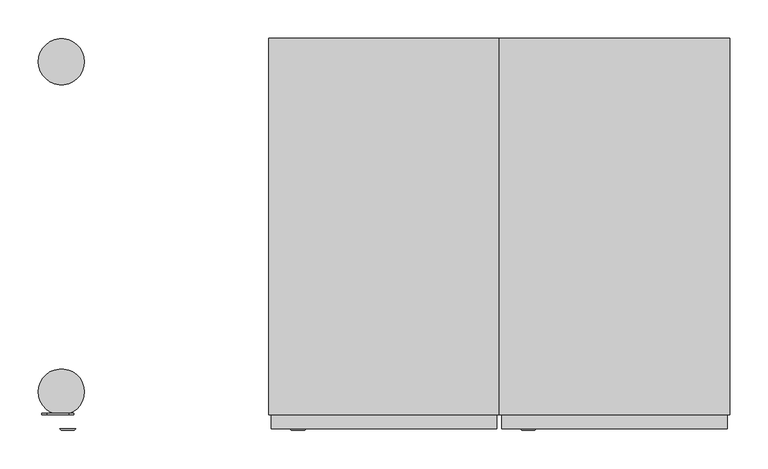
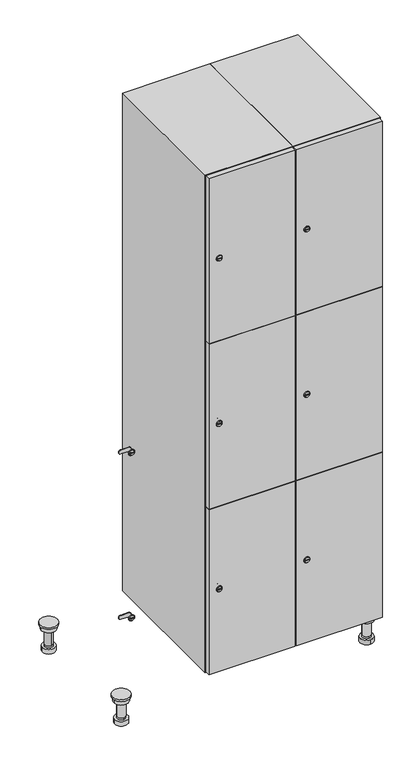
"""IFC4 building model written with IfcOpenShell, lengths in millimetres: furniture geometry."""

from ifc_helpers import new_model, si_unit, point, frame, frame_2d, origin, place, context, project, spatial, polyline, circle_curve, trimmed, segment, composite_curve, outline, extrude, faceted_brep, source, transform, mapped, element, save
from ifc_brep_helpers import plane_surface, cylinder_surface, revolved_surface, advanced_brep


def furniture_a988e921(model_context):
    return source(origin(), model_context, "Body", "SolidModel", [
        advanced_brep(
        [(670.0, -201.0, 22.0), (670.0, -201.5, 16.0), (670.0, -228.5, 16.0), (670.0, -229.0, 22.0), (656.0, -215.0, 22.0), (684.0, -215.0, 22.0), (670.0, -192.5, 16.0), (670.0, -237.5, 16.0), (670.0, -192.5, 0.0), (670.0, -237.5, 0.0), (684.0, -215.0, 78.0), (656.0, -215.0, 78.0), (695.0, -215.0, 78.0), (645.0, -215.0, 78.0), (700.0, -215.0, 94.0), (640.0, -215.0, 94.0), (645.0, -215.0, 94.0), (695.0, -215.0, 94.0), (700.0, -215.0, 100.0), (640.0, -215.0, 100.0)],
        [
            (0, 1),
            (1, 2, circle_curve(frame((670.0, -215.0, 16.0), z_axis=(0.0, 0.0, 1.0), x_axis=(0.0, -1.0, 0.0)), 13.5)),
            (2, 3),
            (3, 4, circle_curve(frame((670.0, -215.0, 22.0), z_axis=(0.0, 0.0, -1.0), x_axis=(0.0, -1.0, 0.0)), 14.0)),
            (4, 0, circle_curve(frame((670.0, -215.0, 22.0), z_axis=(0.0, 0.0, -1.0), x_axis=(0.0, -1.0, 0.0)), 14.0)),
            (0, 5, circle_curve(frame((670.0, -215.0, 22.0), z_axis=(0.0, 0.0, -1.0), x_axis=(0.0, 1.0, 0.0)), 14.0)),
            (5, 3, circle_curve(frame((670.0, -215.0, 22.0), z_axis=(0.0, 0.0, -1.0), x_axis=(0.0, 1.0, 0.0)), 14.0)),
            (2, 1, circle_curve(frame((670.0, -215.0, 16.0), z_axis=(0.0, 0.0, 1.0), x_axis=(0.0, 1.0, 0.0)), 13.5)),
            (6, 7, circle_curve(frame((670.0, -215.0, 16.0), z_axis=(0.0, 0.0, 1.0), x_axis=(0.0, -1.0, 0.0)), 22.5)),
            (7, 6, circle_curve(frame((670.0, -215.0, 16.0), z_axis=(0.0, 0.0, 1.0), x_axis=(0.0, -1.0, 0.0)), 22.5)),
            (8, 9, circle_curve(frame((670.0, -215.0, 0.0), z_axis=(0.0, 0.0, -1.0), x_axis=(0.0, -1.0, 0.0)), 22.5)),
            (9, 8, circle_curve(frame((670.0, -215.0, 0.0), z_axis=(0.0, 0.0, -1.0), x_axis=(0.0, -1.0, 0.0)), 22.5)),
            (6, 8),
            (9, 7),
            (5, 10),
            (10, 11, circle_curve(frame((670.0, -215.0, 78.0), z_axis=(0.0, 0.0, -1.0), x_axis=(-1.0, 0.0, 0.0)), 14.0)),
            (11, 4),
            (11, 10, circle_curve(frame((670.0, -215.0, 78.0), z_axis=(0.0, 0.0, -1.0), x_axis=(-1.0, 0.0, 0.0)), 14.0)),
            (12, 13, circle_curve(frame((670.0, -215.0, 78.0), z_axis=(0.0, 0.0, -1.0), x_axis=(-1.0, 0.0, 0.0)), 25.0)),
            (13, 12, circle_curve(frame((670.0, -215.0, 78.0), z_axis=(0.0, 0.0, -1.0), x_axis=(-1.0, 0.0, 0.0)), 25.0)),
            (14, 15, circle_curve(frame((670.0, -215.0, 94.0), z_axis=(0.0, 0.0, -1.0), x_axis=(-1.0, 0.0, 0.0)), 30.0)),
            (15, 14, circle_curve(frame((670.0, -215.0, 94.0), z_axis=(0.0, 0.0, -1.0), x_axis=(-1.0, 0.0, 0.0)), 30.0)),
            (16, 17, circle_curve(frame((670.0, -215.0, 94.0), z_axis=(0.0, 0.0, 1.0), x_axis=(-1.0, 0.0, 0.0)), 25.0)),
            (17, 16, circle_curve(frame((670.0, -215.0, 94.0), z_axis=(0.0, 0.0, 1.0), x_axis=(-1.0, 0.0, 0.0)), 25.0)),
            (18, 19, circle_curve(frame((670.0, -215.0, 100.0), z_axis=(0.0, 0.0, 1.0), x_axis=(-1.0, 0.0, 0.0)), 30.0)),
            (19, 18, circle_curve(frame((670.0, -215.0, 100.0), z_axis=(0.0, 0.0, 1.0), x_axis=(-1.0, 0.0, 0.0)), 30.0)),
            (14, 18),
            (19, 15),
            (12, 17),
            (16, 13),
        ],
        [
            revolved_surface(polyline([(670.0, -201.5, 16.0), (670.0, -201.0, 22.0)]), (670.0, -215.0, -146.0), (0.0, 0.0, 1.0)),
            plane_surface(frame((670.0, 0.0, 16.0), z_axis=(0.0, 0.0, 1.0), x_axis=(0.0, -1.0, 0.0))),
            plane_surface(frame((670.0, 0.0, 0.0), z_axis=(0.0, 0.0, -1.0), x_axis=(0.0, -1.0, 0.0))),
            cylinder_surface(frame((670.0, -215.0, 16.0), z_axis=(0.0, 0.0, 1.0), x_axis=(0.0, -1.0, 0.0)), 22.5),
            cylinder_surface(frame((670.0, -215.0, 22.0), z_axis=(0.0, 0.0, -1.0), x_axis=(-1.0, 0.0, 0.0)), 14.0),
            plane_surface(frame((670.0, 0.0, 78.0), z_axis=(0.0, 0.0, -1.0), x_axis=(0.0, -1.0, 0.0))),
            plane_surface(frame((670.0, 0.0, 94.0), z_axis=(0.0, 0.0, -1.0), x_axis=(0.0, -1.0, 0.0))),
            plane_surface(frame((670.0, 0.0, 100.0), z_axis=(0.0, 0.0, 1.0), x_axis=(0.0, -1.0, 0.0))),
            cylinder_surface(frame((670.0, -215.0, 94.0), z_axis=(0.0, 0.0, -1.0), x_axis=(-1.0, 0.0, 0.0)), 30.0),
            cylinder_surface(frame((670.0, -215.0, 78.0), z_axis=(0.0, 0.0, -1.0), x_axis=(-1.0, 0.0, 0.0)), 25.0),
        ],
        [
            (0, [[1, 2, 3, 4, 5]]),
            (0, [[-1, 6, 7, -3, 8]]),
            (1, [[9, 10], [-2, -8]]),
            (2, [[11, 12]]),
            (3, [[-9, 13, -12, 14]]),
            (3, [[-10, -14, -11, -13]]),
            (4, [[15, 16, 17, -4, -7]]),
            (4, [[-15, -6, -5, -17, 18]]),
            (5, [[19, 20], [-16, -18]]),
            (6, [[21, 22], [23, 24]]),
            (7, [[25, 26]]),
            (8, [[-21, 27, -26, 28]]),
            (8, [[-22, -28, -25, -27]]),
            (9, [[-19, 29, -23, 30]]),
            (9, [[-20, -30, -24, -29]]),
        ],
    ),
        advanced_brep(
        [(-170.0, -201.0, 22.0), (-170.0, -201.5, 16.0), (-170.0, -228.5, 16.0), (-170.0, -229.0, 22.0), (-184.0, -215.0, 22.0), (-156.0, -215.0, 22.0), (-147.5, -215.0, 0.0), (-192.5, -215.0, 0.0), (-147.5, -215.0, 16.0), (-192.5, -215.0, 16.0), (-156.0, -215.0, 78.0), (-184.0, -215.0, 78.0), (-145.0, -215.0, 78.0), (-195.0, -215.0, 78.0), (-140.0, -215.0, 94.0), (-200.0, -215.0, 94.0), (-195.0, -215.0, 94.0), (-145.0, -215.0, 94.0), (-140.0, -215.0, 100.0), (-200.0, -215.0, 100.0)],
        [
            (0, 1),
            (1, 2, circle_curve(frame((-170.0, -215.0, 16.0), z_axis=(0.0, 0.0, 1.0), x_axis=(0.0, -1.0, 0.0)), 13.5)),
            (2, 3),
            (3, 4, circle_curve(frame((-170.0, -215.0, 22.0), z_axis=(0.0, 0.0, -1.0), x_axis=(0.0, -1.0, 0.0)), 14.0)),
            (4, 0, circle_curve(frame((-170.0, -215.0, 22.0), z_axis=(0.0, 0.0, -1.0), x_axis=(0.0, -1.0, 0.0)), 14.0)),
            (0, 5, circle_curve(frame((-170.0, -215.0, 22.0), z_axis=(0.0, 0.0, -1.0), x_axis=(0.0, 1.0, 0.0)), 14.0)),
            (5, 3, circle_curve(frame((-170.0, -215.0, 22.0), z_axis=(0.0, 0.0, -1.0), x_axis=(0.0, 1.0, 0.0)), 14.0)),
            (2, 1, circle_curve(frame((-170.0, -215.0, 16.0), z_axis=(0.0, 0.0, 1.0), x_axis=(0.0, 1.0, 0.0)), 13.5)),
            (6, 7, circle_curve(frame((-170.0, -215.0, 0.0), z_axis=(0.0, 0.0, -1.0), x_axis=(-1.0, 0.0, 0.0)), 22.5)),
            (7, 6, circle_curve(frame((-170.0, -215.0, 0.0), z_axis=(0.0, 0.0, -1.0), x_axis=(-1.0, 0.0, 0.0)), 22.5)),
            (8, 9, circle_curve(frame((-170.0, -215.0, 16.0), z_axis=(0.0, 0.0, 1.0), x_axis=(-1.0, 0.0, 0.0)), 22.5)),
            (9, 8, circle_curve(frame((-170.0, -215.0, 16.0), z_axis=(0.0, 0.0, 1.0), x_axis=(-1.0, 0.0, 0.0)), 22.5)),
            (6, 8),
            (9, 7),
            (5, 10),
            (10, 11, circle_curve(frame((-170.0, -215.0, 78.0), z_axis=(0.0, 0.0, -1.0), x_axis=(-1.0, 0.0, 0.0)), 14.0)),
            (11, 4),
            (11, 10, circle_curve(frame((-170.0, -215.0, 78.0), z_axis=(0.0, 0.0, -1.0), x_axis=(-1.0, 0.0, 0.0)), 14.0)),
            (12, 13, circle_curve(frame((-170.0, -215.0, 78.0), z_axis=(0.0, 0.0, -1.0), x_axis=(-1.0, 0.0, 0.0)), 25.0)),
            (13, 12, circle_curve(frame((-170.0, -215.0, 78.0), z_axis=(0.0, 0.0, -1.0), x_axis=(-1.0, 0.0, 0.0)), 25.0)),
            (14, 15, circle_curve(frame((-170.0, -215.0, 94.0), z_axis=(0.0, 0.0, -1.0), x_axis=(-1.0, 0.0, 0.0)), 30.0)),
            (15, 14, circle_curve(frame((-170.0, -215.0, 94.0), z_axis=(0.0, 0.0, -1.0), x_axis=(-1.0, 0.0, 0.0)), 30.0)),
            (16, 17, circle_curve(frame((-170.0, -215.0, 94.0), z_axis=(0.0, 0.0, 1.0), x_axis=(-1.0, 0.0, 0.0)), 25.0)),
            (17, 16, circle_curve(frame((-170.0, -215.0, 94.0), z_axis=(0.0, 0.0, 1.0), x_axis=(-1.0, 0.0, 0.0)), 25.0)),
            (18, 19, circle_curve(frame((-170.0, -215.0, 100.0), z_axis=(0.0, 0.0, 1.0), x_axis=(-1.0, 0.0, 0.0)), 30.0)),
            (19, 18, circle_curve(frame((-170.0, -215.0, 100.0), z_axis=(0.0, 0.0, 1.0), x_axis=(-1.0, 0.0, 0.0)), 30.0)),
            (14, 18),
            (19, 15),
            (12, 17),
            (16, 13),
        ],
        [
            revolved_surface(polyline([(-170.0, -201.5, 16.0), (-170.0, -201.0, 22.0)]), (-170.0, -215.0, -146.0), (0.0, 0.0, 1.0)),
            plane_surface(frame((-170.0, 0.0, 0.0), z_axis=(0.0, 0.0, -1.0), x_axis=(0.0, -1.0, 0.0))),
            plane_surface(frame((-170.0, 0.0, 16.0), z_axis=(0.0, 0.0, 1.0), x_axis=(0.0, -1.0, 0.0))),
            cylinder_surface(frame((-170.0, -215.0, 0.0), z_axis=(0.0, 0.0, -1.0), x_axis=(-1.0, 0.0, 0.0)), 22.5),
            cylinder_surface(frame((-170.0, -215.0, 22.0), z_axis=(0.0, 0.0, -1.0), x_axis=(-1.0, 0.0, 0.0)), 14.0),
            plane_surface(frame((-170.0, 0.0, 78.0), z_axis=(0.0, 0.0, -1.0), x_axis=(0.0, -1.0, 0.0))),
            plane_surface(frame((-170.0, 0.0, 94.0), z_axis=(0.0, 0.0, -1.0), x_axis=(0.0, -1.0, 0.0))),
            plane_surface(frame((-170.0, 0.0, 100.0), z_axis=(0.0, 0.0, 1.0), x_axis=(0.0, -1.0, 0.0))),
            cylinder_surface(frame((-170.0, -215.0, 94.0), z_axis=(0.0, 0.0, -1.0), x_axis=(-1.0, 0.0, 0.0)), 30.0),
            cylinder_surface(frame((-170.0, -215.0, 78.0), z_axis=(0.0, 0.0, -1.0), x_axis=(-1.0, 0.0, 0.0)), 25.0),
        ],
        [
            (0, [[1, 2, 3, 4, 5]]),
            (0, [[-1, 6, 7, -3, 8]]),
            (1, [[9, 10]]),
            (2, [[11, 12], [-2, -8]]),
            (3, [[-9, 13, -12, 14]]),
            (3, [[-10, -14, -11, -13]]),
            (4, [[15, 16, 17, -4, -7]]),
            (4, [[-15, -6, -5, -17, 18]]),
            (5, [[19, 20], [-16, -18]]),
            (6, [[21, 22], [23, 24]]),
            (7, [[25, 26]]),
            (8, [[-21, 27, -26, 28]]),
            (8, [[-22, -28, -25, -27]]),
            (9, [[-19, 29, -23, 30]]),
            (9, [[-20, -30, -24, -29]]),
        ],
    ),
        advanced_brep(
        [(683.5, 215.0, 16.0), (684.0, 215.0, 22.0), (656.0, 215.0, 22.0), (656.5, 215.0, 16.0), (692.5, 215.0, 0.0), (647.5, 215.0, 0.0), (692.5, 215.0, 16.0), (647.5, 215.0, 16.0), (684.0, 215.0, 78.0), (656.0, 215.0, 78.0), (695.0, 215.0, 78.0), (645.0, 215.0, 78.0), (700.0, 215.0, 94.0), (640.0, 215.0, 94.0), (645.0, 215.0, 94.0), (695.0, 215.0, 94.0), (700.0, 215.0, 100.0), (640.0, 215.0, 100.0)],
        [
            (0, 1),
            (1, 2, circle_curve(frame((670.0, 215.0, 22.0), z_axis=(0.0, 0.0, -1.0), x_axis=(-1.0, 0.0, 0.0)), 14.0)),
            (2, 3),
            (3, 0, circle_curve(frame((670.0, 215.0, 16.0), z_axis=(0.0, 0.0, 1.0), x_axis=(-1.0, 0.0, 0.0)), 13.5)),
            (0, 3, circle_curve(frame((670.0, 215.0, 16.0), z_axis=(0.0, 0.0, 1.0), x_axis=(1.0, 0.0, 0.0)), 13.5)),
            (2, 1, circle_curve(frame((670.0, 215.0, 22.0), z_axis=(0.0, 0.0, -1.0), x_axis=(1.0, 0.0, 0.0)), 14.0)),
            (4, 5, circle_curve(frame((670.0, 215.0, 0.0), z_axis=(0.0, 0.0, -1.0), x_axis=(-1.0, 0.0, 0.0)), 22.5)),
            (5, 4, circle_curve(frame((670.0, 215.0, 0.0), z_axis=(0.0, 0.0, -1.0), x_axis=(-1.0, 0.0, 0.0)), 22.5)),
            (6, 7, circle_curve(frame((670.0, 215.0, 16.0), z_axis=(0.0, 0.0, 1.0), x_axis=(-1.0, 0.0, 0.0)), 22.5)),
            (7, 6, circle_curve(frame((670.0, 215.0, 16.0), z_axis=(0.0, 0.0, 1.0), x_axis=(-1.0, 0.0, 0.0)), 22.5)),
            (4, 6),
            (7, 5),
            (1, 8),
            (8, 9, circle_curve(frame((670.0, 215.0, 78.0), z_axis=(0.0, 0.0, -1.0), x_axis=(-1.0, 0.0, 0.0)), 14.0)),
            (9, 2),
            (9, 8, circle_curve(frame((670.0, 215.0, 78.0), z_axis=(0.0, 0.0, -1.0), x_axis=(-1.0, 0.0, 0.0)), 14.0)),
            (10, 11, circle_curve(frame((670.0, 215.0, 78.0), z_axis=(0.0, 0.0, -1.0), x_axis=(-1.0, 0.0, 0.0)), 25.0)),
            (11, 10, circle_curve(frame((670.0, 215.0, 78.0), z_axis=(0.0, 0.0, -1.0), x_axis=(-1.0, 0.0, 0.0)), 25.0)),
            (12, 13, circle_curve(frame((670.0, 215.0, 94.0), z_axis=(0.0, 0.0, -1.0), x_axis=(-1.0, 0.0, 0.0)), 30.0)),
            (13, 12, circle_curve(frame((670.0, 215.0, 94.0), z_axis=(0.0, 0.0, -1.0), x_axis=(-1.0, 0.0, 0.0)), 30.0)),
            (14, 15, circle_curve(frame((670.0, 215.0, 94.0), z_axis=(0.0, 0.0, 1.0), x_axis=(-1.0, 0.0, 0.0)), 25.0)),
            (15, 14, circle_curve(frame((670.0, 215.0, 94.0), z_axis=(0.0, 0.0, 1.0), x_axis=(-1.0, 0.0, 0.0)), 25.0)),
            (16, 17, circle_curve(frame((670.0, 215.0, 100.0), z_axis=(0.0, 0.0, 1.0), x_axis=(-1.0, 0.0, 0.0)), 30.0)),
            (17, 16, circle_curve(frame((670.0, 215.0, 100.0), z_axis=(0.0, 0.0, 1.0), x_axis=(-1.0, 0.0, 0.0)), 30.0)),
            (12, 16),
            (17, 13),
            (10, 15),
            (14, 11),
        ],
        [
            revolved_surface(polyline([(683.5, 215.0, 16.0), (684.0, 215.0, 22.0)]), (670.0, 215.0, -146.0), (0.0, 0.0, 1.0)),
            plane_surface(frame((670.0, 0.0, 0.0), z_axis=(0.0, 0.0, -1.0), x_axis=(0.0, -1.0, 0.0))),
            plane_surface(frame((670.0, 0.0, 16.0), z_axis=(0.0, 0.0, 1.0), x_axis=(0.0, -1.0, 0.0))),
            cylinder_surface(frame((670.0, 215.0, 0.0), z_axis=(0.0, 0.0, -1.0), x_axis=(-1.0, 0.0, 0.0)), 22.5),
            cylinder_surface(frame((670.0, 215.0, 22.0), z_axis=(0.0, 0.0, -1.0), x_axis=(-1.0, 0.0, 0.0)), 14.0),
            plane_surface(frame((670.0, 0.0, 78.0), z_axis=(0.0, 0.0, -1.0), x_axis=(0.0, -1.0, 0.0))),
            plane_surface(frame((670.0, 0.0, 94.0), z_axis=(0.0, 0.0, -1.0), x_axis=(0.0, -1.0, 0.0))),
            plane_surface(frame((670.0, 0.0, 100.0), z_axis=(0.0, 0.0, 1.0), x_axis=(0.0, -1.0, 0.0))),
            cylinder_surface(frame((670.0, 215.0, 94.0), z_axis=(0.0, 0.0, -1.0), x_axis=(-1.0, 0.0, 0.0)), 30.0),
            cylinder_surface(frame((670.0, 215.0, 78.0), z_axis=(0.0, 0.0, -1.0), x_axis=(-1.0, 0.0, 0.0)), 25.0),
        ],
        [
            (0, [[1, 2, 3, 4]]),
            (0, [[-1, 5, -3, 6]]),
            (1, [[7, 8]]),
            (2, [[9, 10], [-4, -5]]),
            (3, [[-7, 11, -10, 12]]),
            (3, [[-8, -12, -9, -11]]),
            (4, [[13, 14, 15, -2]]),
            (4, [[-13, -6, -15, 16]]),
            (5, [[17, 18], [-14, -16]]),
            (6, [[19, 20], [21, 22]]),
            (7, [[23, 24]]),
            (8, [[-19, 25, -24, 26]]),
            (8, [[-20, -26, -23, -25]]),
            (9, [[-17, 27, -21, 28]]),
            (9, [[-18, -28, -22, -27]]),
        ],
    ),
        advanced_brep(
        [(-156.5, 215.0, 16.0), (-156.0, 215.0, 22.0), (-170.0, 201.0, 22.0), (-184.0, 215.0, 22.0), (-183.5, 215.0, 16.0), (-170.0, 229.0, 22.0), (-147.5, 215.0, 0.0), (-192.5, 215.0, 0.0), (-147.5, 215.0, 16.0), (-192.5, 215.0, 16.0), (-170.0, 229.0, 78.0), (-170.0, 201.0, 78.0), (-145.0, 215.0, 78.0), (-195.0, 215.0, 78.0), (-140.0, 215.0, 94.0), (-200.0, 215.0, 94.0), (-195.0, 215.0, 94.0), (-145.0, 215.0, 94.0), (-140.0, 215.0, 100.0), (-200.0, 215.0, 100.0)],
        [
            (0, 1),
            (1, 2, circle_curve(frame((-170.0, 215.0, 22.0), z_axis=(0.0, 0.0, -1.0), x_axis=(-1.0, 0.0, 0.0)), 14.0)),
            (2, 3, circle_curve(frame((-170.0, 215.0, 22.0), z_axis=(0.0, 0.0, -1.0), x_axis=(-1.0, 0.0, 0.0)), 14.0)),
            (3, 4),
            (4, 0, circle_curve(frame((-170.0, 215.0, 16.0), z_axis=(0.0, 0.0, 1.0), x_axis=(-1.0, 0.0, 0.0)), 13.5)),
            (0, 4, circle_curve(frame((-170.0, 215.0, 16.0), z_axis=(0.0, 0.0, 1.0), x_axis=(1.0, 0.0, 0.0)), 13.5)),
            (3, 5, circle_curve(frame((-170.0, 215.0, 22.0), z_axis=(0.0, 0.0, -1.0), x_axis=(1.0, 0.0, 0.0)), 14.0)),
            (5, 1, circle_curve(frame((-170.0, 215.0, 22.0), z_axis=(0.0, 0.0, -1.0), x_axis=(1.0, 0.0, 0.0)), 14.0)),
            (6, 7, circle_curve(frame((-170.0, 215.0, 0.0), z_axis=(0.0, 0.0, -1.0), x_axis=(-1.0, 0.0, 0.0)), 22.5)),
            (7, 6, circle_curve(frame((-170.0, 215.0, 0.0), z_axis=(0.0, 0.0, -1.0), x_axis=(-1.0, 0.0, 0.0)), 22.5)),
            (8, 9, circle_curve(frame((-170.0, 215.0, 16.0), z_axis=(0.0, 0.0, 1.0), x_axis=(-1.0, 0.0, 0.0)), 22.5)),
            (9, 8, circle_curve(frame((-170.0, 215.0, 16.0), z_axis=(0.0, 0.0, 1.0), x_axis=(-1.0, 0.0, 0.0)), 22.5)),
            (6, 8),
            (9, 7),
            (10, 5),
            (2, 11),
            (11, 10, circle_curve(frame((-170.0, 215.0, 78.0), z_axis=(0.0, 0.0, -1.0), x_axis=(0.0, -1.0, 0.0)), 14.0)),
            (10, 11, circle_curve(frame((-170.0, 215.0, 78.0), z_axis=(0.0, 0.0, -1.0), x_axis=(0.0, -1.0, 0.0)), 14.0)),
            (12, 13, circle_curve(frame((-170.0, 215.0, 78.0), z_axis=(0.0, 0.0, -1.0), x_axis=(-1.0, 0.0, 0.0)), 25.0)),
            (13, 12, circle_curve(frame((-170.0, 215.0, 78.0), z_axis=(0.0, 0.0, -1.0), x_axis=(-1.0, 0.0, 0.0)), 25.0)),
            (14, 15, circle_curve(frame((-170.0, 215.0, 94.0), z_axis=(0.0, 0.0, -1.0), x_axis=(-1.0, 0.0, 0.0)), 30.0)),
            (15, 14, circle_curve(frame((-170.0, 215.0, 94.0), z_axis=(0.0, 0.0, -1.0), x_axis=(-1.0, 0.0, 0.0)), 30.0)),
            (16, 17, circle_curve(frame((-170.0, 215.0, 94.0), z_axis=(0.0, 0.0, 1.0), x_axis=(-1.0, 0.0, 0.0)), 25.0)),
            (17, 16, circle_curve(frame((-170.0, 215.0, 94.0), z_axis=(0.0, 0.0, 1.0), x_axis=(-1.0, 0.0, 0.0)), 25.0)),
            (18, 19, circle_curve(frame((-170.0, 215.0, 100.0), z_axis=(0.0, 0.0, 1.0), x_axis=(-1.0, 0.0, 0.0)), 30.0)),
            (19, 18, circle_curve(frame((-170.0, 215.0, 100.0), z_axis=(0.0, 0.0, 1.0), x_axis=(-1.0, 0.0, 0.0)), 30.0)),
            (14, 18),
            (19, 15),
            (12, 17),
            (16, 13),
        ],
        [
            revolved_surface(polyline([(-156.5, 215.0, 16.0), (-156.0, 215.0, 22.0)]), (-170.0, 215.0, -146.0), (0.0, 0.0, 1.0)),
            plane_surface(frame((-170.0, 0.0, 0.0), z_axis=(0.0, 0.0, -1.0), x_axis=(0.0, -1.0, 0.0))),
            plane_surface(frame((-170.0, 0.0, 16.0), z_axis=(0.0, 0.0, 1.0), x_axis=(0.0, -1.0, 0.0))),
            cylinder_surface(frame((-170.0, 215.0, 0.0), z_axis=(0.0, 0.0, -1.0), x_axis=(-1.0, 0.0, 0.0)), 22.5),
            cylinder_surface(frame((-170.0, 215.0, 78.0), z_axis=(0.0, 0.0, 1.0), x_axis=(0.0, -1.0, 0.0)), 14.0),
            plane_surface(frame((-170.0, 0.0, 78.0), z_axis=(0.0, 0.0, -1.0), x_axis=(0.0, -1.0, 0.0))),
            plane_surface(frame((-170.0, 0.0, 94.0), z_axis=(0.0, 0.0, -1.0), x_axis=(0.0, -1.0, 0.0))),
            plane_surface(frame((-170.0, 0.0, 100.0), z_axis=(0.0, 0.0, 1.0), x_axis=(0.0, -1.0, 0.0))),
            cylinder_surface(frame((-170.0, 215.0, 94.0), z_axis=(0.0, 0.0, -1.0), x_axis=(-1.0, 0.0, 0.0)), 30.0),
            cylinder_surface(frame((-170.0, 215.0, 78.0), z_axis=(0.0, 0.0, -1.0), x_axis=(-1.0, 0.0, 0.0)), 25.0),
        ],
        [
            (0, [[1, 2, 3, 4, 5]]),
            (0, [[-1, 6, -4, 7, 8]]),
            (1, [[9, 10]]),
            (2, [[11, 12], [-5, -6]]),
            (3, [[-9, 13, -12, 14]]),
            (3, [[-10, -14, -11, -13]]),
            (4, [[15, -7, -3, 16, 17]]),
            (4, [[-15, 18, -16, -2, -8]]),
            (5, [[19, 20], [-17, -18]]),
            (6, [[21, 22], [23, 24]]),
            (7, [[25, 26]]),
            (8, [[-21, 27, -26, 28]]),
            (8, [[-22, -28, -25, -27]]),
            (9, [[-19, 29, -23, 30]]),
            (9, [[-20, -30, -24, -29]]),
        ],
    ),
        extrude(outline(composite_curve([segment(trimmed(circle_curve(frame_2d((402.0, 411.2010534)), 7.0), [point((409.0, 411.2010534))], [point((395.0, 411.2010534))], False, "CARTESIAN"), True, "CONTINUOUS"), segment(polyline([(395.0, 411.2010534), (395.0, 439.2010534)]), True, "CONTINUOUS"), segment(trimmed(circle_curve(frame_2d((402.0, 439.2010534)), 7.0), [point((395.0, 439.2010534))], [point((409.0, 439.2010534))], False, "CARTESIAN"), True, "CONTINUOUS"), segment(polyline([(409.0, 439.2010534), (409.0, 411.2010534)]), True, "CONTINUOUS")], self_intersect=False)), frame((0.0, -245.0, 0.0), z_axis=(0.0, 1.0, 0.0), x_axis=(0.0, 0.0, 1.0)), (0.0, 0.0, 1.0), 2.0),
        advanced_brep(
        [(446.5, -265.2, 402.0), (429.5, -265.2, 402.0), (433.0, -265.2, 400.75), (433.0, -265.2, 403.25), (443.0, -265.2, 403.25), (443.0, -265.2, 400.75), (448.5, -263.0, 402.0), (427.5, -263.0, 402.0), (433.0, -263.0, 403.25), (433.0, -263.0, 400.75), (443.0, -263.0, 400.75), (443.0, -263.0, 403.25)],
        [
            (0, 1, circle_curve(frame((438.0, -265.2, 402.0), z_axis=(0.0, -1.0, 0.0), x_axis=(1.0, 0.0, 0.0)), 8.5)),
            (1, 0, circle_curve(frame((438.0, -265.2, 402.0), z_axis=(0.0, -1.0, 0.0), x_axis=(-1.0, 0.0, 0.0)), 8.5)),
            (2, 3),
            (3, 4),
            (4, 5),
            (5, 2),
            (6, 7, circle_curve(frame((438.0, -263.0, 402.0), z_axis=(0.0, 1.0, 0.0), x_axis=(-1.0, 0.0, 0.0)), 10.5)),
            (7, 6, circle_curve(frame((438.0, -263.0, 402.0), z_axis=(0.0, 1.0, 0.0), x_axis=(1.0, 0.0, 0.0)), 10.5)),
            (8, 9),
            (9, 10),
            (10, 11),
            (11, 8),
            (0, 6),
            (7, 1),
            (8, 3),
            (2, 9),
            (11, 4),
            (10, 5),
        ],
        [
            plane_surface(frame((438.0, -265.2, 402.0), z_axis=(0.0, -1.0, 0.0), x_axis=(0.0, 0.0, 1.0))),
            plane_surface(frame((438.0, -263.0, 402.0), z_axis=(0.0, 1.0, 0.0), x_axis=(0.0, 0.0, 1.0))),
            revolved_surface(polyline([(446.5, -265.2, 402.0), (448.5, -263.0, 402.0)]), (438.0, -274.55, 402.0), (0.0, 1.0, 0.0)),
            revolved_surface(polyline([(429.5, -265.2, 402.0), (427.5, -263.0, 402.0)]), (438.0, -274.55, 402.0), (0.0, 1.0, 0.0)),
            plane_surface(frame((433.0, -263.0, 400.75), z_axis=(1.0, 0.0, 0.0), x_axis=(0.0, -1.0, 0.0))),
            plane_surface(frame((433.0, -263.0, 403.25), z_axis=(0.0, 0.0, -1.0), x_axis=(0.0, -1.0, 0.0))),
            plane_surface(frame((443.0, -263.0, 403.25), z_axis=(-1.0, 0.0, 0.0), x_axis=(0.0, -1.0, 0.0))),
            plane_surface(frame((443.0, -263.0, 400.75), z_axis=(0.0, 0.0, 1.0), x_axis=(0.0, -1.0, 0.0))),
        ],
        [
            (0, [[1, 2], [3, 4, 5, 6]]),
            (1, [[7, 8], [9, 10, 11, 12]]),
            (2, [[-1, 13, -8, 14]]),
            (3, [[-2, -14, -7, -13]]),
            (4, [[15, -3, 16, -9]]),
            (5, [[-15, -12, 17, -4]]),
            (6, [[-17, -11, 18, -5]]),
            (7, [[-16, -6, -18, -10]]),
        ],
    ),
        extrude(outline(composite_curve([segment(trimmed(circle_curve(frame_2d((1000.0, 411.2010534)), 7.0), [point((1007.0, 411.2010534))], [point((993.0, 411.2010534))], False, "CARTESIAN"), True, "CONTINUOUS"), segment(polyline([(993.0, 411.2010534), (993.0, 439.2010534)]), True, "CONTINUOUS"), segment(trimmed(circle_curve(frame_2d((1000.0, 439.2010534)), 7.0), [point((993.0, 439.2010534))], [point((1007.0, 439.2010534))], False, "CARTESIAN"), True, "CONTINUOUS"), segment(polyline([(1007.0, 439.2010534), (1007.0, 411.2010534)]), True, "CONTINUOUS")], self_intersect=False)), frame((0.0, -245.0, 0.0), z_axis=(0.0, 1.0, 0.0), x_axis=(0.0, 0.0, 1.0)), (0.0, 0.0, 1.0), 2.0),
        advanced_brep(
        [(446.5, -265.2, 1000.0), (429.5, -265.2, 1000.0), (433.0, -265.2, 998.75), (433.0, -265.2, 1001.25), (443.0, -265.2, 1001.25), (443.0, -265.2, 998.75), (448.5, -263.0, 1000.0), (427.5, -263.0, 1000.0), (433.0, -263.0, 1001.25), (433.0, -263.0, 998.75), (443.0, -263.0, 998.75), (443.0, -263.0, 1001.25)],
        [
            (0, 1, circle_curve(frame((438.0, -265.2, 1000.0), z_axis=(0.0, -1.0, 0.0), x_axis=(1.0, 0.0, 0.0)), 8.5)),
            (1, 0, circle_curve(frame((438.0, -265.2, 1000.0), z_axis=(0.0, -1.0, 0.0), x_axis=(-1.0, 0.0, 0.0)), 8.5)),
            (2, 3),
            (3, 4),
            (4, 5),
            (5, 2),
            (6, 7, circle_curve(frame((438.0, -263.0, 1000.0), z_axis=(0.0, 1.0, 0.0), x_axis=(-1.0, 0.0, 0.0)), 10.5)),
            (7, 6, circle_curve(frame((438.0, -263.0, 1000.0), z_axis=(0.0, 1.0, 0.0), x_axis=(1.0, 0.0, 0.0)), 10.5)),
            (8, 9),
            (9, 10),
            (10, 11),
            (11, 8),
            (0, 6),
            (7, 1),
            (8, 3),
            (2, 9),
            (11, 4),
            (10, 5),
        ],
        [
            plane_surface(frame((438.0, -265.2, 1000.0), z_axis=(0.0, -1.0, 0.0), x_axis=(0.0, 0.0, 1.0))),
            plane_surface(frame((438.0, -263.0, 1000.0), z_axis=(0.0, 1.0, 0.0), x_axis=(0.0, 0.0, 1.0))),
            revolved_surface(polyline([(446.5, -265.2, 1000.0), (448.5, -263.0, 1000.0)]), (438.0, -274.55, 1000.0), (0.0, 1.0, 0.0)),
            revolved_surface(polyline([(429.5, -265.2, 1000.0), (427.5, -263.0, 1000.0)]), (438.0, -274.55, 1000.0), (0.0, 1.0, 0.0)),
            plane_surface(frame((433.0, -263.0, 998.75), z_axis=(1.0, 0.0, 0.0), x_axis=(0.0, -1.0, 0.0))),
            plane_surface(frame((433.0, -263.0, 1001.25), z_axis=(0.0, 0.0, -1.0), x_axis=(0.0, -1.0, 0.0))),
            plane_surface(frame((443.0, -263.0, 1001.25), z_axis=(-1.0, 0.0, 0.0), x_axis=(0.0, -1.0, 0.0))),
            plane_surface(frame((443.0, -263.0, 998.75), z_axis=(0.0, 0.0, 1.0), x_axis=(0.0, -1.0, 0.0))),
        ],
        [
            (0, [[1, 2], [3, 4, 5, 6]]),
            (1, [[7, 8], [9, 10, 11, 12]]),
            (2, [[-1, 13, -8, 14]]),
            (3, [[-2, -14, -7, -13]]),
            (4, [[15, -3, 16, -9]]),
            (5, [[-15, -12, 17, -4]]),
            (6, [[-17, -11, 18, -5]]),
            (7, [[-16, -6, -18, -10]]),
        ],
    ),
        extrude(outline(composite_curve([segment(trimmed(circle_curve(frame_2d((1598.0, 411.2010534)), 7.0), [point((1605.0, 411.2010534))], [point((1591.0, 411.2010534))], False, "CARTESIAN"), True, "CONTINUOUS"), segment(polyline([(1591.0, 411.2010534), (1591.0, 439.2010534)]), True, "CONTINUOUS"), segment(trimmed(circle_curve(frame_2d((1598.0, 439.2010534)), 7.0), [point((1591.0, 439.2010534))], [point((1605.0, 439.2010534))], False, "CARTESIAN"), True, "CONTINUOUS"), segment(polyline([(1605.0, 439.2010534), (1605.0, 411.2010534)]), True, "CONTINUOUS")], self_intersect=False)), frame((0.0, -245.0, 0.0), z_axis=(0.0, 1.0, 0.0), x_axis=(0.0, 0.0, 1.0)), (0.0, 0.0, 1.0), 2.0),
        advanced_brep(
        [(446.5, -265.2, 1598.0), (429.5, -265.2, 1598.0), (433.0, -265.2, 1596.75), (433.0, -265.2, 1599.25), (443.0, -265.2, 1599.25), (443.0, -265.2, 1596.75), (448.5, -263.0, 1598.0), (427.5, -263.0, 1598.0), (433.0, -263.0, 1599.25), (433.0, -263.0, 1596.75), (443.0, -263.0, 1596.75), (443.0, -263.0, 1599.25)],
        [
            (0, 1, circle_curve(frame((438.0, -265.2, 1598.0), z_axis=(0.0, -1.0, 0.0), x_axis=(1.0, 0.0, 0.0)), 8.5)),
            (1, 0, circle_curve(frame((438.0, -265.2, 1598.0), z_axis=(0.0, -1.0, 0.0), x_axis=(-1.0, 0.0, 0.0)), 8.5)),
            (2, 3),
            (3, 4),
            (4, 5),
            (5, 2),
            (6, 7, circle_curve(frame((438.0, -263.0, 1598.0), z_axis=(0.0, 1.0, 0.0), x_axis=(-1.0, 0.0, 0.0)), 10.5)),
            (7, 6, circle_curve(frame((438.0, -263.0, 1598.0), z_axis=(0.0, 1.0, 0.0), x_axis=(1.0, 0.0, 0.0)), 10.5)),
            (8, 9),
            (9, 10),
            (10, 11),
            (11, 8),
            (0, 6),
            (7, 1),
            (8, 3),
            (2, 9),
            (11, 4),
            (10, 5),
        ],
        [
            plane_surface(frame((438.0, -265.2, 1598.0), z_axis=(0.0, -1.0, 0.0), x_axis=(0.0, 0.0, 1.0))),
            plane_surface(frame((438.0, -263.0, 1598.0), z_axis=(0.0, 1.0, 0.0), x_axis=(0.0, 0.0, 1.0))),
            revolved_surface(polyline([(446.5, -265.2, 1598.0), (448.5, -263.0, 1598.0)]), (438.0, -274.55, 1598.0), (0.0, 1.0, 0.0)),
            revolved_surface(polyline([(429.5, -265.2, 1598.0), (427.5, -263.0, 1598.0)]), (438.0, -274.55, 1598.0), (0.0, 1.0, 0.0)),
            plane_surface(frame((433.0, -263.0, 1596.75), z_axis=(1.0, 0.0, 0.0), x_axis=(0.0, -1.0, 0.0))),
            plane_surface(frame((433.0, -263.0, 1599.25), z_axis=(0.0, 0.0, -1.0), x_axis=(0.0, -1.0, 0.0))),
            plane_surface(frame((443.0, -263.0, 1599.25), z_axis=(-1.0, 0.0, 0.0), x_axis=(0.0, -1.0, 0.0))),
            plane_surface(frame((443.0, -263.0, 1596.75), z_axis=(0.0, 0.0, 1.0), x_axis=(0.0, -1.0, 0.0))),
        ],
        [
            (0, [[1, 2], [3, 4, 5, 6]]),
            (1, [[7, 8], [9, 10, 11, 12]]),
            (2, [[-1, 13, -8, 14]]),
            (3, [[-2, -14, -7, -13]]),
            (4, [[15, -3, 16, -9]]),
            (5, [[-15, -12, 17, -4]]),
            (6, [[-17, -11, 18, -5]]),
            (7, [[-16, -6, -18, -10]]),
        ],
    ),
        extrude(outline(polyline([(697.0, -245.0), (697.0, -263.0), (403.0, -263.0), (403.0, -245.0), (697.0, -245.0)])), frame((0.0, 0.0, 701.5), z_axis=(0.0, 0.0, 1.0), x_axis=(1.0, 0.0, 0.0)), (0.0, 0.0, 1.0), 597.0),
        extrude(outline(polyline([(403.0, -263.0), (403.0, -245.0), (697.0, -245.0), (697.0, -263.0), (403.0, -263.0)])), frame((0.0, 0.0, 1299.5), z_axis=(0.0, 0.0, 1.0), x_axis=(1.0, 0.0, 0.0)), (0.0, 0.0, 1.0), 597.5),
        extrude(outline(polyline([(697.0, -245.0), (697.0, -263.0), (403.0, -263.0), (403.0, -245.0), (697.0, -245.0)])), frame((0.0, 0.0, 103.0), z_axis=(0.0, 0.0, 1.0), x_axis=(1.0, 0.0, 0.0)), (0.0, 0.0, 1.0), 597.5),
        extrude(outline(polyline([(682.0, 227.0), (682.0, -227.0), (418.0, -227.0), (418.0, 227.0), (682.0, 227.0)])), frame((0.0, 0.0, 1285.0), z_axis=(0.0, 0.0, 1.0), x_axis=(1.0, 0.0, 0.0)), (0.0, 0.0, 1.0), 18.0),
        extrude(outline(polyline([(418.0, 227.0), (682.0, 227.0), (682.0, -227.0), (418.0, -227.0), (418.0, 227.0)])), frame((0.0, 0.0, 697.0), z_axis=(0.0, 0.0, 1.0), x_axis=(1.0, 0.0, 0.0)), (0.0, 0.0, 1.0), 18.0),
        faceted_brep([(700.0, -245.0, 100.0), (700.0, -245.0, 1900.0), (400.0, -245.0, 1900.0), (400.0, -245.0, 100.0), (682.0, -245.0, 1882.0), (682.0, -245.0, 118.0), (418.0, -245.0, 118.0), (418.0, -245.0, 1882.0), (700.0, 245.0, 100.0), (400.0, 245.0, 100.0), (700.0, 245.0, 1900.0), (400.0, 245.0, 1900.0), (682.0, 227.0, 1882.0), (682.0, 227.0, 118.0), (400.0, 245.0, 1882.0), (418.0, 227.0, 1882.0), (418.0, 227.0, 118.0)], [[[0, 1, 2, 3], [4, 5, 6, 7]], [[8, 0, 3, 9]], [[1, 0, 8, 10]], [[1, 10, 11, 2]], [[4, 12, 13, 5]], [[9, 3, 2, 11, 14]], [[10, 8, 9, 14, 11]], [[12, 15, 16, 13]], [[15, 7, 6, 16]], [[4, 7, 15, 12]], [[6, 5, 13, 16]]]),
        extrude(outline(composite_curve([segment(trimmed(circle_curve(frame_2d((402.0, 111.2010534)), 7.0), [point((409.0, 111.2010534))], [point((395.0, 111.2010534))], False, "CARTESIAN"), True, "CONTINUOUS"), segment(polyline([(395.0, 111.2010534), (395.0, 139.2010534)]), True, "CONTINUOUS"), segment(trimmed(circle_curve(frame_2d((402.0, 139.2010534)), 7.0), [point((395.0, 139.2010534))], [point((409.0, 139.2010534))], False, "CARTESIAN"), True, "CONTINUOUS"), segment(polyline([(409.0, 139.2010534), (409.0, 111.2010534)]), True, "CONTINUOUS")], self_intersect=False)), frame((0.0, -245.0, 0.0), z_axis=(0.0, 1.0, 0.0), x_axis=(0.0, 0.0, 1.0)), (0.0, 0.0, 1.0), 2.0),
        advanced_brep(
        [(146.5, -265.2, 402.0), (129.5, -265.2, 402.0), (133.0, -265.2, 400.75), (133.0, -265.2, 403.25), (143.0, -265.2, 403.25), (143.0, -265.2, 400.75), (148.5, -263.0, 402.0), (127.5, -263.0, 402.0), (133.0, -263.0, 403.25), (133.0, -263.0, 400.75), (143.0, -263.0, 400.75), (143.0, -263.0, 403.25)],
        [
            (0, 1, circle_curve(frame((138.0, -265.2, 402.0), z_axis=(0.0, -1.0, 0.0), x_axis=(1.0, 0.0, 0.0)), 8.5)),
            (1, 0, circle_curve(frame((138.0, -265.2, 402.0), z_axis=(0.0, -1.0, 0.0), x_axis=(-1.0, 0.0, 0.0)), 8.5)),
            (2, 3),
            (3, 4),
            (4, 5),
            (5, 2),
            (6, 7, circle_curve(frame((138.0, -263.0, 402.0), z_axis=(0.0, 1.0, 0.0), x_axis=(-1.0, 0.0, 0.0)), 10.5)),
            (7, 6, circle_curve(frame((138.0, -263.0, 402.0), z_axis=(0.0, 1.0, 0.0), x_axis=(1.0, 0.0, 0.0)), 10.5)),
            (8, 9),
            (9, 10),
            (10, 11),
            (11, 8),
            (0, 6),
            (7, 1),
            (8, 3),
            (2, 9),
            (11, 4),
            (10, 5),
        ],
        [
            plane_surface(frame((138.0, -265.2, 402.0), z_axis=(0.0, -1.0, 0.0), x_axis=(0.0, 0.0, 1.0))),
            plane_surface(frame((138.0, -263.0, 402.0), z_axis=(0.0, 1.0, 0.0), x_axis=(0.0, 0.0, 1.0))),
            revolved_surface(polyline([(146.5, -265.2, 402.0), (148.5, -263.0, 402.0)]), (138.0, -274.55, 402.0), (0.0, 1.0, 0.0)),
            revolved_surface(polyline([(129.5, -265.2, 402.0), (127.5, -263.0, 402.0)]), (138.0, -274.55, 402.0), (0.0, 1.0, 0.0)),
            plane_surface(frame((133.0, -263.0, 400.75), z_axis=(1.0, 0.0, 0.0), x_axis=(0.0, -1.0, 0.0))),
            plane_surface(frame((133.0, -263.0, 403.25), z_axis=(0.0, 0.0, -1.0), x_axis=(0.0, -1.0, 0.0))),
            plane_surface(frame((143.0, -263.0, 403.25), z_axis=(-1.0, 0.0, 0.0), x_axis=(0.0, -1.0, 0.0))),
            plane_surface(frame((143.0, -263.0, 400.75), z_axis=(0.0, 0.0, 1.0), x_axis=(0.0, -1.0, 0.0))),
        ],
        [
            (0, [[1, 2], [3, 4, 5, 6]]),
            (1, [[7, 8], [9, 10, 11, 12]]),
            (2, [[-1, 13, -8, 14]]),
            (3, [[-2, -14, -7, -13]]),
            (4, [[15, -3, 16, -9]]),
            (5, [[-15, -12, 17, -4]]),
            (6, [[-17, -11, 18, -5]]),
            (7, [[-16, -6, -18, -10]]),
        ],
    ),
        extrude(outline(composite_curve([segment(trimmed(circle_curve(frame_2d((1000.0, 111.2010534)), 7.0), [point((1007.0, 111.2010534))], [point((993.0, 111.2010534))], False, "CARTESIAN"), True, "CONTINUOUS"), segment(polyline([(993.0, 111.2010534), (993.0, 139.2010534)]), True, "CONTINUOUS"), segment(trimmed(circle_curve(frame_2d((1000.0, 139.2010534)), 7.0), [point((993.0, 139.2010534))], [point((1007.0, 139.2010534))], False, "CARTESIAN"), True, "CONTINUOUS"), segment(polyline([(1007.0, 139.2010534), (1007.0, 111.2010534)]), True, "CONTINUOUS")], self_intersect=False)), frame((0.0, -245.0, 0.0), z_axis=(0.0, 1.0, 0.0), x_axis=(0.0, 0.0, 1.0)), (0.0, 0.0, 1.0), 2.0),
        advanced_brep(
        [(146.5, -265.2, 1000.0), (129.5, -265.2, 1000.0), (133.0, -265.2, 998.75), (133.0, -265.2, 1001.25), (143.0, -265.2, 1001.25), (143.0, -265.2, 998.75), (148.5, -263.0, 1000.0), (127.5, -263.0, 1000.0), (133.0, -263.0, 1001.25), (133.0, -263.0, 998.75), (143.0, -263.0, 998.75), (143.0, -263.0, 1001.25)],
        [
            (0, 1, circle_curve(frame((138.0, -265.2, 1000.0), z_axis=(0.0, -1.0, 0.0), x_axis=(1.0, 0.0, 0.0)), 8.5)),
            (1, 0, circle_curve(frame((138.0, -265.2, 1000.0), z_axis=(0.0, -1.0, 0.0), x_axis=(-1.0, 0.0, 0.0)), 8.5)),
            (2, 3),
            (3, 4),
            (4, 5),
            (5, 2),
            (6, 7, circle_curve(frame((138.0, -263.0, 1000.0), z_axis=(0.0, 1.0, 0.0), x_axis=(-1.0, 0.0, 0.0)), 10.5)),
            (7, 6, circle_curve(frame((138.0, -263.0, 1000.0), z_axis=(0.0, 1.0, 0.0), x_axis=(1.0, 0.0, 0.0)), 10.5)),
            (8, 9),
            (9, 10),
            (10, 11),
            (11, 8),
            (0, 6),
            (7, 1),
            (8, 3),
            (2, 9),
            (11, 4),
            (10, 5),
        ],
        [
            plane_surface(frame((138.0, -265.2, 1000.0), z_axis=(0.0, -1.0, 0.0), x_axis=(0.0, 0.0, 1.0))),
            plane_surface(frame((138.0, -263.0, 1000.0), z_axis=(0.0, 1.0, 0.0), x_axis=(0.0, 0.0, 1.0))),
            revolved_surface(polyline([(146.5, -265.2, 1000.0), (148.5, -263.0, 1000.0)]), (138.0, -274.55, 1000.0), (0.0, 1.0, 0.0)),
            revolved_surface(polyline([(129.5, -265.2, 1000.0), (127.5, -263.0, 1000.0)]), (138.0, -274.55, 1000.0), (0.0, 1.0, 0.0)),
            plane_surface(frame((133.0, -263.0, 998.75), z_axis=(1.0, 0.0, 0.0), x_axis=(0.0, -1.0, 0.0))),
            plane_surface(frame((133.0, -263.0, 1001.25), z_axis=(0.0, 0.0, -1.0), x_axis=(0.0, -1.0, 0.0))),
            plane_surface(frame((143.0, -263.0, 1001.25), z_axis=(-1.0, 0.0, 0.0), x_axis=(0.0, -1.0, 0.0))),
            plane_surface(frame((143.0, -263.0, 998.75), z_axis=(0.0, 0.0, 1.0), x_axis=(0.0, -1.0, 0.0))),
        ],
        [
            (0, [[1, 2], [3, 4, 5, 6]]),
            (1, [[7, 8], [9, 10, 11, 12]]),
            (2, [[-1, 13, -8, 14]]),
            (3, [[-2, -14, -7, -13]]),
            (4, [[15, -3, 16, -9]]),
            (5, [[-15, -12, 17, -4]]),
            (6, [[-17, -11, 18, -5]]),
            (7, [[-16, -6, -18, -10]]),
        ],
    ),
        extrude(outline(composite_curve([segment(trimmed(circle_curve(frame_2d((1598.0, 111.2010534)), 7.0), [point((1605.0, 111.2010534))], [point((1591.0, 111.2010534))], False, "CARTESIAN"), True, "CONTINUOUS"), segment(polyline([(1591.0, 111.2010534), (1591.0, 139.2010534)]), True, "CONTINUOUS"), segment(trimmed(circle_curve(frame_2d((1598.0, 139.2010534)), 7.0), [point((1591.0, 139.2010534))], [point((1605.0, 139.2010534))], False, "CARTESIAN"), True, "CONTINUOUS"), segment(polyline([(1605.0, 139.2010534), (1605.0, 111.2010534)]), True, "CONTINUOUS")], self_intersect=False)), frame((0.0, -245.0, 0.0), z_axis=(0.0, 1.0, 0.0), x_axis=(0.0, 0.0, 1.0)), (0.0, 0.0, 1.0), 2.0),
        advanced_brep(
        [(146.5, -265.2, 1598.0), (129.5, -265.2, 1598.0), (133.0, -265.2, 1596.75), (133.0, -265.2, 1599.25), (143.0, -265.2, 1599.25), (143.0, -265.2, 1596.75), (148.5, -263.0, 1598.0), (127.5, -263.0, 1598.0), (133.0, -263.0, 1599.25), (133.0, -263.0, 1596.75), (143.0, -263.0, 1596.75), (143.0, -263.0, 1599.25)],
        [
            (0, 1, circle_curve(frame((138.0, -265.2, 1598.0), z_axis=(0.0, -1.0, 0.0), x_axis=(1.0, 0.0, 0.0)), 8.5)),
            (1, 0, circle_curve(frame((138.0, -265.2, 1598.0), z_axis=(0.0, -1.0, 0.0), x_axis=(-1.0, 0.0, 0.0)), 8.5)),
            (2, 3),
            (3, 4),
            (4, 5),
            (5, 2),
            (6, 7, circle_curve(frame((138.0, -263.0, 1598.0), z_axis=(0.0, 1.0, 0.0), x_axis=(-1.0, 0.0, 0.0)), 10.5)),
            (7, 6, circle_curve(frame((138.0, -263.0, 1598.0), z_axis=(0.0, 1.0, 0.0), x_axis=(1.0, 0.0, 0.0)), 10.5)),
            (8, 9),
            (9, 10),
            (10, 11),
            (11, 8),
            (0, 6),
            (7, 1),
            (8, 3),
            (2, 9),
            (11, 4),
            (10, 5),
        ],
        [
            plane_surface(frame((138.0, -265.2, 1598.0), z_axis=(0.0, -1.0, 0.0), x_axis=(0.0, 0.0, 1.0))),
            plane_surface(frame((138.0, -263.0, 1598.0), z_axis=(0.0, 1.0, 0.0), x_axis=(0.0, 0.0, 1.0))),
            revolved_surface(polyline([(146.5, -265.2, 1598.0), (148.5, -263.0, 1598.0)]), (138.0, -274.55, 1598.0), (0.0, 1.0, 0.0)),
            revolved_surface(polyline([(129.5, -265.2, 1598.0), (127.5, -263.0, 1598.0)]), (138.0, -274.55, 1598.0), (0.0, 1.0, 0.0)),
            plane_surface(frame((133.0, -263.0, 1596.75), z_axis=(1.0, 0.0, 0.0), x_axis=(0.0, -1.0, 0.0))),
            plane_surface(frame((133.0, -263.0, 1599.25), z_axis=(0.0, 0.0, -1.0), x_axis=(0.0, -1.0, 0.0))),
            plane_surface(frame((143.0, -263.0, 1599.25), z_axis=(-1.0, 0.0, 0.0), x_axis=(0.0, -1.0, 0.0))),
            plane_surface(frame((143.0, -263.0, 1596.75), z_axis=(0.0, 0.0, 1.0), x_axis=(0.0, -1.0, 0.0))),
        ],
        [
            (0, [[1, 2], [3, 4, 5, 6]]),
            (1, [[7, 8], [9, 10, 11, 12]]),
            (2, [[-1, 13, -8, 14]]),
            (3, [[-2, -14, -7, -13]]),
            (4, [[15, -3, 16, -9]]),
            (5, [[-15, -12, 17, -4]]),
            (6, [[-17, -11, 18, -5]]),
            (7, [[-16, -6, -18, -10]]),
        ],
    ),
        extrude(outline(polyline([(397.0, -245.0), (397.0, -263.0), (103.0, -263.0), (103.0, -245.0), (397.0, -245.0)])), frame((0.0, 0.0, 701.5), z_axis=(0.0, 0.0, 1.0), x_axis=(1.0, 0.0, 0.0)), (0.0, 0.0, 1.0), 597.0),
        extrude(outline(polyline([(103.0, -263.0), (103.0, -245.0), (397.0, -245.0), (397.0, -263.0), (103.0, -263.0)])), frame((0.0, 0.0, 1299.5), z_axis=(0.0, 0.0, 1.0), x_axis=(1.0, 0.0, 0.0)), (0.0, 0.0, 1.0), 597.5),
        extrude(outline(polyline([(397.0, -245.0), (397.0, -263.0), (103.0, -263.0), (103.0, -245.0), (397.0, -245.0)])), frame((0.0, 0.0, 103.0), z_axis=(0.0, 0.0, 1.0), x_axis=(1.0, 0.0, 0.0)), (0.0, 0.0, 1.0), 597.5),
        extrude(outline(polyline([(382.0, 227.0), (382.0, -227.0), (118.0, -227.0), (118.0, 227.0), (382.0, 227.0)])), frame((0.0, 0.0, 1285.0), z_axis=(0.0, 0.0, 1.0), x_axis=(1.0, 0.0, 0.0)), (0.0, 0.0, 1.0), 18.0),
        extrude(outline(polyline([(118.0, 227.0), (382.0, 227.0), (382.0, -227.0), (118.0, -227.0), (118.0, 227.0)])), frame((0.0, 0.0, 697.0), z_axis=(0.0, 0.0, 1.0), x_axis=(1.0, 0.0, 0.0)), (0.0, 0.0, 1.0), 18.0),
        faceted_brep([(400.0, -245.0, 100.0), (400.0, -245.0, 1900.0), (100.0, -245.0, 1900.0), (100.0, -245.0, 100.0), (382.0, -245.0, 1882.0), (382.0, -245.0, 118.0), (118.0, -245.0, 118.0), (118.0, -245.0, 1882.0), (400.0, 245.0, 100.0), (100.0, 245.0, 100.0), (400.0, 245.0, 1900.0), (100.0, 245.0, 1900.0), (382.0, 227.0, 1882.0), (382.0, 227.0, 118.0), (100.0, 245.0, 1882.0), (118.0, 227.0, 1882.0), (118.0, 227.0, 118.0)], [[[0, 1, 2, 3], [4, 5, 6, 7]], [[8, 0, 3, 9]], [[1, 0, 8, 10]], [[1, 10, 11, 2]], [[4, 12, 13, 5]], [[9, 3, 2, 11, 14]], [[10, 8, 9, 14, 11]], [[12, 15, 16, 13]], [[15, 7, 6, 16]], [[4, 7, 15, 12]], [[6, 5, 13, 16]]]),
        extrude(outline(composite_curve([segment(trimmed(circle_curve(frame_2d((402.0, -188.7989466)), 7.0), [point((409.0, -188.7989466))], [point((395.0, -188.7989466))], False, "CARTESIAN"), True, "CONTINUOUS"), segment(polyline([(395.0, -188.7989466), (395.0, -160.7989466)]), True, "CONTINUOUS"), segment(trimmed(circle_curve(frame_2d((402.0, -160.7989466)), 7.0), [point((395.0, -160.7989466))], [point((409.0, -160.7989466))], False, "CARTESIAN"), True, "CONTINUOUS"), segment(polyline([(409.0, -160.7989466), (409.0, -188.7989466)]), True, "CONTINUOUS")], self_intersect=False)), frame((0.0, -245.0, 0.0), z_axis=(0.0, 1.0, 0.0), x_axis=(0.0, 0.0, 1.0)), (0.0, 0.0, 1.0), 2.0),
        advanced_brep(
        [(-153.5, -265.2, 402.0), (-170.5, -265.2, 402.0), (-167.0, -265.2, 400.75), (-167.0, -265.2, 403.25), (-157.0, -265.2, 403.25), (-157.0, -265.2, 400.75), (-151.5, -263.0, 402.0), (-172.5, -263.0, 402.0), (-167.0, -263.0, 403.25), (-167.0, -263.0, 400.75), (-157.0, -263.0, 400.75), (-157.0, -263.0, 403.25)],
        [
            (0, 1, circle_curve(frame((-162.0, -265.2, 402.0), z_axis=(0.0, -1.0, 0.0), x_axis=(1.0, 0.0, 0.0)), 8.5)),
            (1, 0, circle_curve(frame((-162.0, -265.2, 402.0), z_axis=(0.0, -1.0, 0.0), x_axis=(-1.0, 0.0, 0.0)), 8.5)),
            (2, 3),
            (3, 4),
            (4, 5),
            (5, 2),
            (6, 7, circle_curve(frame((-162.0, -263.0, 402.0), z_axis=(0.0, 1.0, 0.0), x_axis=(-1.0, 0.0, 0.0)), 10.5)),
            (7, 6, circle_curve(frame((-162.0, -263.0, 402.0), z_axis=(0.0, 1.0, 0.0), x_axis=(1.0, 0.0, 0.0)), 10.5)),
            (8, 9),
            (9, 10),
            (10, 11),
            (11, 8),
            (0, 6),
            (7, 1),
            (8, 3),
            (2, 9),
            (11, 4),
            (10, 5),
        ],
        [
            plane_surface(frame((-162.0, -265.2, 402.0), z_axis=(0.0, -1.0, 0.0), x_axis=(0.0, 0.0, 1.0))),
            plane_surface(frame((-162.0, -263.0, 402.0), z_axis=(0.0, 1.0, 0.0), x_axis=(0.0, 0.0, 1.0))),
            revolved_surface(polyline([(-153.5, -265.2, 402.0), (-151.5, -263.0, 402.0)]), (-162.0, -274.55, 402.0), (0.0, 1.0, 0.0)),
            revolved_surface(polyline([(-170.5, -265.2, 402.0), (-172.5, -263.0, 402.0)]), (-162.0, -274.55, 402.0), (0.0, 1.0, 0.0)),
            plane_surface(frame((-167.0, -263.0, 400.75), z_axis=(1.0, 0.0, 0.0), x_axis=(0.0, -1.0, 0.0))),
            plane_surface(frame((-167.0, -263.0, 403.25), z_axis=(0.0, 0.0, -1.0), x_axis=(0.0, -1.0, 0.0))),
            plane_surface(frame((-157.0, -263.0, 403.25), z_axis=(-1.0, 0.0, 0.0), x_axis=(0.0, -1.0, 0.0))),
            plane_surface(frame((-157.0, -263.0, 400.75), z_axis=(0.0, 0.0, 1.0), x_axis=(0.0, -1.0, 0.0))),
        ],
        [
            (0, [[1, 2], [3, 4, 5, 6]]),
            (1, [[7, 8], [9, 10, 11, 12]]),
            (2, [[-1, 13, -8, 14]]),
            (3, [[-2, -14, -7, -13]]),
            (4, [[15, -3, 16, -9]]),
            (5, [[-15, -12, 17, -4]]),
            (6, [[-17, -11, 18, -5]]),
            (7, [[-16, -6, -18, -10]]),
        ],
    ),
        extrude(outline(composite_curve([segment(trimmed(circle_curve(frame_2d((1000.0, -188.7989466)), 7.0), [point((1007.0, -188.7989466))], [point((993.0, -188.7989466))], False, "CARTESIAN"), True, "CONTINUOUS"), segment(polyline([(993.0, -188.7989466), (993.0, -160.7989466)]), True, "CONTINUOUS"), segment(trimmed(circle_curve(frame_2d((1000.0, -160.7989466)), 7.0), [point((993.0, -160.7989466))], [point((1007.0, -160.7989466))], False, "CARTESIAN"), True, "CONTINUOUS"), segment(polyline([(1007.0, -160.7989466), (1007.0, -188.7989466)]), True, "CONTINUOUS")], self_intersect=False)), frame((0.0, -245.0, 0.0), z_axis=(0.0, 1.0, 0.0), x_axis=(0.0, 0.0, 1.0)), (0.0, 0.0, 1.0), 2.0),
        advanced_brep(
        [(-153.5, -265.2, 1000.0), (-170.5, -265.2, 1000.0), (-167.0, -265.2, 998.75), (-167.0, -265.2, 1001.25), (-157.0, -265.2, 1001.25), (-157.0, -265.2, 998.75), (-151.5, -263.0, 1000.0), (-172.5, -263.0, 1000.0), (-167.0, -263.0, 1001.25), (-167.0, -263.0, 998.75), (-157.0, -263.0, 998.75), (-157.0, -263.0, 1001.25)],
        [
            (0, 1, circle_curve(frame((-162.0, -265.2, 1000.0), z_axis=(0.0, -1.0, 0.0), x_axis=(1.0, 0.0, 0.0)), 8.5)),
            (1, 0, circle_curve(frame((-162.0, -265.2, 1000.0), z_axis=(0.0, -1.0, 0.0), x_axis=(-1.0, 0.0, 0.0)), 8.5)),
            (2, 3),
            (3, 4),
            (4, 5),
            (5, 2),
            (6, 7, circle_curve(frame((-162.0, -263.0, 1000.0), z_axis=(0.0, 1.0, 0.0), x_axis=(-1.0, 0.0, 0.0)), 10.5)),
            (7, 6, circle_curve(frame((-162.0, -263.0, 1000.0), z_axis=(0.0, 1.0, 0.0), x_axis=(1.0, 0.0, 0.0)), 10.5)),
            (8, 9),
            (9, 10),
            (10, 11),
            (11, 8),
            (0, 6),
            (7, 1),
            (8, 3),
            (2, 9),
            (11, 4),
            (10, 5),
        ],
        [
            plane_surface(frame((-162.0, -265.2, 1000.0), z_axis=(0.0, -1.0, 0.0), x_axis=(0.0, 0.0, 1.0))),
            plane_surface(frame((-162.0, -263.0, 1000.0), z_axis=(0.0, 1.0, 0.0), x_axis=(0.0, 0.0, 1.0))),
            revolved_surface(polyline([(-153.5, -265.2, 1000.0), (-151.5, -263.0, 1000.0)]), (-162.0, -274.55, 1000.0), (0.0, 1.0, 0.0)),
            revolved_surface(polyline([(-170.5, -265.2, 1000.0), (-172.5, -263.0, 1000.0)]), (-162.0, -274.55, 1000.0), (0.0, 1.0, 0.0)),
            plane_surface(frame((-167.0, -263.0, 998.75), z_axis=(1.0, 0.0, 0.0), x_axis=(0.0, -1.0, 0.0))),
            plane_surface(frame((-167.0, -263.0, 1001.25), z_axis=(0.0, 0.0, -1.0), x_axis=(0.0, -1.0, 0.0))),
            plane_surface(frame((-157.0, -263.0, 1001.25), z_axis=(-1.0, 0.0, 0.0), x_axis=(0.0, -1.0, 0.0))),
            plane_surface(frame((-157.0, -263.0, 998.75), z_axis=(0.0, 0.0, 1.0), x_axis=(0.0, -1.0, 0.0))),
        ],
        [
            (0, [[1, 2], [3, 4, 5, 6]]),
            (1, [[7, 8], [9, 10, 11, 12]]),
            (2, [[-1, 13, -8, 14]]),
            (3, [[-2, -14, -7, -13]]),
            (4, [[15, -3, 16, -9]]),
            (5, [[-15, -12, 17, -4]]),
            (6, [[-17, -11, 18, -5]]),
            (7, [[-16, -6, -18, -10]]),
        ],
    ),
    ])


if __name__ == "__main__":
    model = new_model("IFC4")
    model_context = context("Model", 3, world=origin())
    ifc_project = project(units=[si_unit("LENGTHUNIT", "METRE", prefix="MILLI")], contexts=[model_context])
    site = spatial("IfcSite", under=ifc_project)
    building = spatial("IfcBuilding", under=site)
    placement = place(None, origin())
    furniture_shape = furniture_a988e921(model_context)
    element("IfcFurniture", 1, at=placement, inside=building, context=model_context, shape_type="MappedRepresentation", body=[
        mapped(furniture_shape, transform((0.0, 0.0, 0.0), x_axis=(1.0, 0.0, 0.0), y_axis=(0.0, 1.0, 0.0), z_axis=(0.0, 0.0, 1.0))),
    ])
    save(model, "model.ifc")
